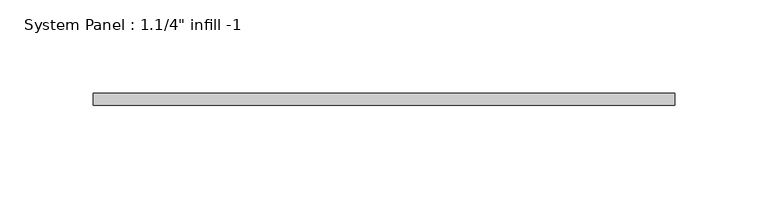
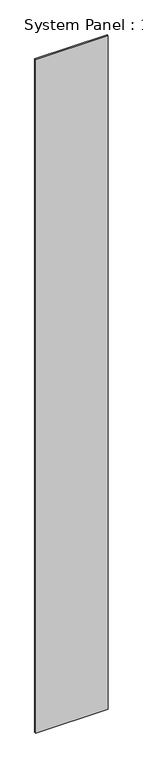
"""IFC4 building model written with IfcOpenShell, lengths in millimetres: plate geometry."""

from ifc_helpers import new_model, si_unit, origin, origin_with_axes, place, context, project, spatial, polyline, outline, extrude, source, transform, mapped, element, save


def plate_c4b58e00(model_context):
    return source(origin(), model_context, "Body", "SweptSolid", [
        extrude(outline(polyline([(155.575, -6.35), (-155.575, -6.35), (-155.575, 0.0), (155.575, 0.0), (155.575, -6.35)])), origin_with_axes(), (0.0, 0.0, 1.0), 3048.0),
    ])


if __name__ == "__main__":
    model = new_model("IFC4")
    model_context = context("Model", 3, world=origin())
    ifc_project = project(units=[si_unit("LENGTHUNIT", "METRE", prefix="MILLI")], contexts=[model_context])
    site = spatial("IfcSite", under=ifc_project)
    building = spatial("IfcBuilding", under=site)
    placement = place(None, origin())
    plate_shape = plate_c4b58e00(model_context)
    element("IfcPlate", 1, ObjectType="System Panel : 1.1/4\" infill -1", at=placement, inside=building, context=model_context, shape_type="MappedRepresentation", body=[
        mapped(plate_shape, transform((0.0, 0.0, 0.0), x_axis=(1.0, 0.0, 0.0), y_axis=(0.0, 1.0, 0.0), z_axis=(0.0, 0.0, 1.0))),
    ])
    save(model, "model.ifc")
